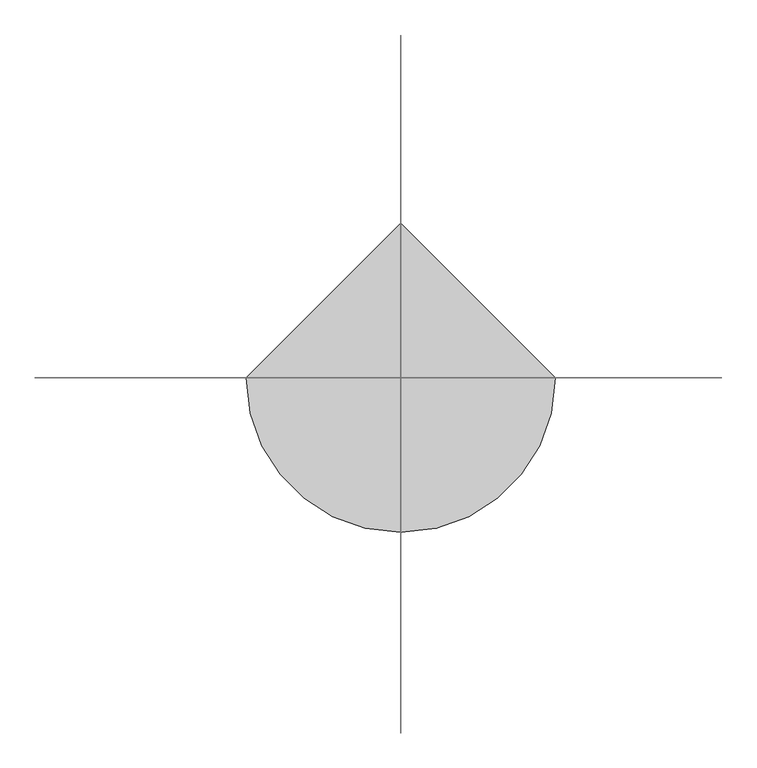
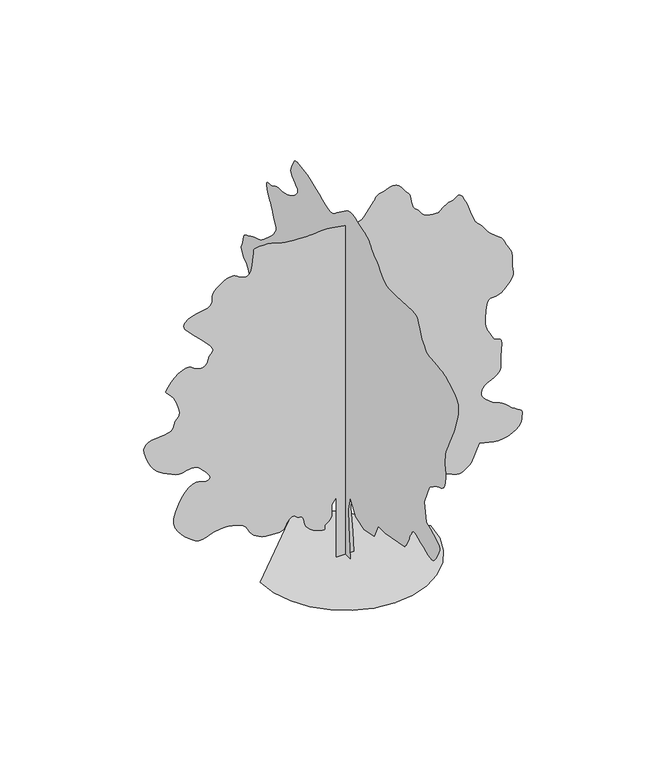
"""IFC4 building model written with IfcOpenShell, lengths in millimetres: geographic element geometry."""

import ifcopenshell
import ifcopenshell.guid

model = None  # the IFC model being written
_history = None  # IfcOwnerHistory: only IFC2X3 demands one
_inside = {}  # id of a spatial element -> (the spatial element, [elements in it])
_under = {}  # id of a project, library or spatial element -> (it, [spatial elements below it])
_declared = {}  # id of a project -> (the project, [libraries it declares])
_typed = {}  # id of a type object -> (the type object, [elements of that type])
_made_of = {}  # id of a material, layer set ... -> (it, [elements and type objects made of it])


def new_model(schema):
    """Start an empty IFC model of exactly this schema.

    Asked for "IFC4X3", IfcOpenShell would pick the latest addendum, in which some entities
    have other attributes; the version numbers below select the first issue.
    IFC2X3 requires an IfcOwnerHistory on every rooted entity: one is made here for all.
    """
    global model, _history
    if schema == "IFC4X3":
        model = ifcopenshell.file(schema_version=(4, 3, 0, 0))
    else:
        model = ifcopenshell.file(schema=schema)
    _inside.clear()
    _under.clear()
    _declared.clear()
    _typed.clear()
    _made_of.clear()
    _history = None
    if model.schema == "IFC2X3":
        org = make("IfcOrganization", Name="unknown")
        user = make(
            "IfcPersonAndOrganization",
            ThePerson=make("IfcPerson", FamilyName="unknown"),
            TheOrganization=org,
        )
        app = make(
            "IfcApplication",
            ApplicationDeveloper=org,
            Version="unknown",
            ApplicationFullName="unknown",
            ApplicationIdentifier="unknown",
        )
        _history = make(
            "IfcOwnerHistory",
            OwningUser=user,
            OwningApplication=app,
            ChangeAction="ADDED",
            CreationDate=0,
        )
    return model


def make(cls, **values):
    """One entity of the class cls with the attributes given. An attribute that is None is left unset."""
    return model.create_entity(
        cls, **{name: value for name, value in values.items() if value is not None}
    )


def rooted(cls, **values):
    """An entity with a GlobalId (a new one), such as an element, a storey or a relation."""
    return make(cls, GlobalId=ifcopenshell.guid.new(), OwnerHistory=_history, **values)


def si_unit(unit_type, name, prefix=None):
    """IfcSIUnit, for example si_unit("LENGTHUNIT", "METRE", prefix="MILLI")."""
    return make("IfcSIUnit", UnitType=unit_type, Prefix=prefix, Name=name)


def assignment(units):
    """IfcUnitAssignment: the units of a project."""
    return None if units is None else make("IfcUnitAssignment", Units=units)


def point(xyz):
    """IfcCartesianPoint."""
    return None if xyz is None else make("IfcCartesianPoint", Coordinates=xyz)


def direction(xyz):
    """IfcDirection."""
    return None if xyz is None else make("IfcDirection", DirectionRatios=xyz)


def frame(location, z_axis=None, x_axis=None):
    """IfcAxis2Placement3D, a coordinate frame: its origin and axes. An axis left out is left unset."""
    return make(
        "IfcAxis2Placement3D",
        Location=point(location),
        Axis=direction(z_axis),
        RefDirection=direction(x_axis),
    )


def origin():
    """The frame at (0, 0, 0) with its axes left unset."""
    return frame((0.0, 0.0, 0.0))


def place(relative_to, where):
    """IfcLocalPlacement: puts the frame where relative to a parent placement (None: the world)."""
    return make(
        "IfcLocalPlacement", PlacementRelTo=relative_to, RelativePlacement=where
    )


def context(
    kind, dimensions, precision=None, world=None, true_north=None, identifier=None
):
    """IfcGeometricRepresentationContext, for example the 3D "Model" context."""
    return make(
        "IfcGeometricRepresentationContext",
        ContextIdentifier=identifier,
        ContextType=kind,
        CoordinateSpaceDimension=dimensions,
        Precision=precision,
        WorldCoordinateSystem=world,
        TrueNorth=true_north,
    )


def project(units=None, contexts=None):
    """IfcProject with its units and contexts."""
    return rooted(
        "IfcProject",
        Name="project",
        RepresentationContexts=contexts,
        UnitsInContext=assignment(units),
    )


def spatial(cls, under=None, at=None, **own):
    """A site, building, storey or space (cls), placed at a placement, below another one or the project."""
    s = rooted(cls, ObjectPlacement=at, **own)
    if under is not None:
        _under.setdefault(under.id(), (under, []))[1].append(s)
    return s


def point_list(points):
    """IfcCartesianPointList2D or 3D."""
    cls = (
        "IfcCartesianPointList2D" if len(points[0]) == 2 else "IfcCartesianPointList3D"
    )
    return make(cls, CoordList=points)


def triangles(points, corners, closed=None, point_numbers=None):
    """IfcTriangulatedFaceSet: each triangle names its three corners, points numbered from 1."""
    return make(
        "IfcTriangulatedFaceSet",
        Coordinates=point_list(points),
        Closed=closed,
        CoordIndex=corners,
        PnIndex=point_numbers,
    )


def shape(context_of_items, identifier, shape_type, items):
    """IfcShapeRepresentation: the items that make up one representation, for example the "Body"."""
    return make(
        "IfcShapeRepresentation",
        ContextOfItems=context_of_items,
        RepresentationIdentifier=identifier,
        RepresentationType=shape_type,
        Items=items,
    )


def source(mapping_origin, context_of_items, identifier, shape_type, items):
    """IfcRepresentationMap: a shape defined once, which mapped items show again and again."""
    return make(
        "IfcRepresentationMap",
        MappingOrigin=mapping_origin,
        MappedRepresentation=shape(context_of_items, identifier, shape_type, items),
    )


def transform(
    local_origin,
    x_axis=None,
    y_axis=None,
    z_axis=None,
    scale=None,
    scale2=None,
    scale3=None,
    uniform=True,
):
    """IfcCartesianTransformationOperator3D, or its non-uniform kind. x_axis, y_axis, z_axis: its Axis1, 2, 3."""
    if uniform:
        return make(
            "IfcCartesianTransformationOperator3D",
            Axis1=direction(x_axis),
            Axis2=direction(y_axis),
            LocalOrigin=point(local_origin),
            Scale=scale,
            Axis3=direction(z_axis),
        )
    return make(
        "IfcCartesianTransformationOperator3DnonUniform",
        Axis1=direction(x_axis),
        Axis2=direction(y_axis),
        LocalOrigin=point(local_origin),
        Scale=scale,
        Axis3=direction(z_axis),
        Scale2=scale2,
        Scale3=scale3,
    )


def mapped(mapping_source, mapping_target):
    """IfcMappedItem: shows the shape of a source again, moved by a transform."""
    return make(
        "IfcMappedItem", MappingSource=mapping_source, MappingTarget=mapping_target
    )


def made_of(thing, what):
    """Note that an element or type object is made of a material, layer set ...; save() writes the relation."""
    if what is not None:
        _made_of.setdefault(what.id(), (what, []))[1].append(thing)
    return thing


def element(
    cls,
    number,
    at=None,
    inside=None,
    cuts=None,
    type_object=None,
    material=None,
    context=None,
    identifier="Body",
    shape_type=None,
    held_by="IfcProductDefinitionShape",
    body=None,
    shapes=None,
    **own,
):
    """One element of the class cls, such as IfcWall. Its Tag is "e" and its number.

    at: its placement. inside: the storey or other place that contains it. cuts: it is an
    opening in that element (IfcRelVoidsElement). A single representation is given by context,
    identifier, shape_type and body (its items); several are given by shapes. held_by: the class
    of the entity that holds the representations. save() writes the other relations.
    """
    e = rooted(cls, Tag="e%d" % number, ObjectPlacement=at, **own)
    if body is not None:
        shapes = [shape(context, identifier, shape_type, body)]
    if shapes is not None:
        e.Representation = make(held_by, Representations=shapes)
    if inside is not None:
        _inside.setdefault(inside.id(), (inside, []))[1].append(e)
    if cuts is not None:
        rooted(
            "IfcRelVoidsElement", RelatingBuildingElement=cuts, RelatedOpeningElement=e
        )
    if type_object is not None:
        _typed.setdefault(type_object.id(), (type_object, []))[1].append(e)
    return made_of(e, material)


def aggregate(whole, parts):
    """IfcRelAggregates: a whole, such as a stair, and the parts it consists of."""
    return rooted("IfcRelAggregates", RelatingObject=whole, RelatedObjects=parts)


def save(model, path):
    """Write the relations noted so far, then the file.

    IfcRelAggregates (storeys below a building ...), IfcRelContainedInSpatialStructure (elements
    in a storey), IfcRelDefinesByType, IfcRelAssociatesMaterial and IfcRelDeclares: one each for
    every whole, place, type object, material and project.
    """
    for whole, parts in _under.values():
        aggregate(whole, parts)
    for where, things in _inside.values():
        rooted(
            "IfcRelContainedInSpatialStructure",
            RelatedElements=things,
            RelatingStructure=where,
        )
    for kind, things in _typed.values():
        rooted("IfcRelDefinesByType", RelatedObjects=things, RelatingType=kind)
    for what, things in _made_of.values():
        rooted("IfcRelAssociatesMaterial", RelatedObjects=things, RelatingMaterial=what)
    for by, libraries in _declared.values():
        rooted("IfcRelDeclares", RelatingContext=by, RelatedDefinitions=libraries)
    model.write(path)


def geographic_element_f85e1bd3(model_context):
    return source(origin(), model_context, "Body", "Tessellation", [
        triangles([(0.0289808, 514.0926029, 0.0), (0.0289808, -493.1891913, 0.0), (0.0289808, -330.7247984, 1917.08153), (0.0289808, -298.2310696, 2826.8812294), (0.0289808, -493.1891913, 3671.6988487), (0.0289808, -1013.0777704, 2826.8812294), (0.0289808, -1857.8909569, 2566.9392471), (0.0289808, -2832.6773872, 2794.3901894), (0.0289808, -3222.5928314, 3606.7121178), (0.0289808, -3904.9456581, 3606.7121178), (0.0289808, -5789.5320786, 3964.1362312), (0.0289808, -5858.8737762, 4047.7834511), (0.0289808, -5926.5359253, 4131.9977875), (0.0289808, -5990.7540985, 4217.3457756), (0.0289808, -6049.8481659, 4304.4119728), (0.0289808, -6102.1379974, 4393.7460548), (0.0289808, -6145.9016052, 4485.9357765), (0.0289808, -6179.460022, 4581.4860489), (0.0289808, -6212.0516373, 4679.9338188), (0.0289808, -6253.1700577, 4780.0620094), (0.0289808, -6301.3857193, 4881.6177292), (0.0289808, -6355.271965, 4984.3079727), (0.0289808, -6413.4416702, 5087.8376999), (0.0289808, -6474.4257385, 5191.9557632), (0.0289808, -6536.8800659, 5296.3261368), (0.0289808, -6566.6160416, 5330.0519852), (0.0289808, -6607.7338806, 5357.2677658), (0.0289808, -6671.5735886, 5371.3796951), (0.0289808, -6769.5176102, 5365.8777054), (0.0289808, -6912.9478088, 5334.2517288), (0.0289808, -7113.2036087, 5269.9079819), (0.0289808, -7381.6680359, 5166.3776733), (0.0289808, -7665.1257339, 5044.5356918), (0.0289808, -7906.4999542, 4935.798143), (0.0289808, -8111.501976, 4849.1938362), (0.0289808, -8285.8018021, 4793.8797707), (0.0289808, -8435.1118744, 4778.9277763), (0.0289808, -8565.0597565, 4813.4099739), (0.0289808, -8681.3997482, 4906.4400513), (0.0289808, -8798.7896759, 5052.9776184), (0.0289808, -8920.1276184, 5231.3516144), (0.0289808, -9033.5276733, 5425.6438248), (0.0289808, -9127.0196411, 5619.9360352), (0.0289808, -9188.6757614, 5798.3100311), (0.0289808, -9206.6095505, 5944.8900375), (0.0289808, -9168.8095322, 6043.6741241), (0.0289808, -9076.4517975, 6118.0556305), (0.0289808, -8943.1436554, 6200.922084), (0.0289808, -8775.7736389, 6290.9276367), (0.0289808, -8581.0616867, 6386.6037735), (0.0289808, -8365.9376083, 6486.5639511), (0.0289808, -8137.1637817, 6589.3379105), (0.0289808, -7901.5857193, 6693.5396896), (0.0289808, -7706.6220383, 7798.3077209), (0.0289808, -8193.9899643, 8935.5417938), (0.0289808, -8209.3617004, 8957.2555847), (0.0289808, -8233.2178024, 8983.7580368), (0.0289808, -8274.1676285, 9019.9616409), (0.0289808, -8340.6536865, 9070.6556396), (0.0289808, -8441.2440582, 9140.6275314), (0.0289808, -8584.5056625, 9234.7915512), (0.0289808, -8778.8815887, 9357.9776367), (0.0289808, -8989.7640656, 9469.5719879), (0.0289808, -9176.7480011, 9542.4838165), (0.0289808, -9339.8758347, 9601.7877548), (0.0289808, -9479.1475662, 9672.4735565), (0.0289808, -9594.5219193, 9779.5321381), (0.0289808, -9686.0395889, 9947.9520905), (0.0289808, -9753.6592987, 10202.7656067), (0.0289808, -9792.803421, 10453.0433533), (0.0289808, -9804.0597107, 10613.5254181), (0.0289808, -9795.4497711, 10717.72836), (0.0289808, -9774.869632, 10799.2082703), (0.0289808, -9750.3420593, 10891.4817078), (0.0289808, -9729.8037781, 11028.0652313), (0.0289808, -9721.1938385, 11242.5602783), (0.0289808, -9724.2180725, 11479.1876953), (0.0289808, -9737.4899368, 11675.4536224), (0.0289808, -9767.2259125, 11854.7101227), (0.0289808, -9819.6843384, 12040.1813599), (0.0289808, -9901.1642487, 12255.2217224), (0.0289808, -10017.881543, 12523.1402527), (0.0289808, -10176.0532837, 12867.2041351), (0.0289808, -10326.2452789, 13178.2142212), (0.0289808, -10426.3740509, 13365.8702087), (0.0289808, -10494.0780579, 13481.915451), (0.0289808, -10547.0399414, 13578.0537689), (0.0289808, -10602.8574646, 13706.0273529), (0.0289808, -10679.0876953, 13917.5818817), (0.0289808, -10793.4539703, 14264.3758301), (0.0289808, -10916.6813324, 14665.5594818), (0.0289808, -10999.5902252, 15011.0511841), (0.0289808, -11029.6197876, 15308.7899872), (0.0289808, -10994.2556671, 15566.7533112), (0.0289808, -10881.0660645, 15792.881369), (0.0289808, -10677.4912811, 15995.1120483), (0.0289808, -10371.0181274, 16181.4657898), (0.0289808, -10073.658371, 16334.6401611), (0.0289808, -9878.0633331, 16440.1011658), (0.0289808, -9742.6977585, 16509.695755), (0.0289808, -9626.0635986, 16555.4755188), (0.0289808, -9486.7075699, 16589.2862457), (0.0289808, -9283.1339493, 16623.0958099), (0.0289808, -8973.8458511, 16668.8755737), (0.0289808, -8642.0876129, 16704.9536041), (0.0289808, -8384.7957596, 16718.8981018), (0.0289808, -8180.9279709, 16736.2016968), (0.0289808, -8009.4837845, 16782.5279388), (0.0289808, -7849.3796036, 16883.4113159), (0.0289808, -7679.6161285, 17064.4735199), (0.0289808, -7479.1498764, 17351.2071808), (0.0289808, -7304.0937012, 17666.4600311), (0.0289808, -7200.6476898, 17919.8038696), (0.0289808, -7133.02798, 18116.8255646), (0.0289808, -7065.365831, 18263.2794159), (0.0289808, -6961.9198196, 18364.8360077), (0.0289808, -6786.8636444, 18427.1635986), (0.0289808, -6504.3715851, 18455.9757935), (0.0289808, -4944.7016693, 18358.4933716), (0.0289808, -4657.2119499, 18363.5337616), (0.0289808, -4423.1460045, 18362.8617096), (0.0289808, -4224.2758759, 18374.7051727), (0.0289808, -4042.4916229, 18417.2095551), (0.0289808, -3859.5647072, 18508.6435089), (0.0289808, -3657.3136803, 18667.1094177), (0.0289808, -3417.5483734, 18910.8770966), (0.0289808, -3186.5020111, 19157.0818359), (0.0289808, -3013.4242035, 19324.8297363), (0.0289808, -2884.6858406, 19435.2055573), (0.0289808, -2786.6368835, 19509.2091797), (0.0289808, -2705.6441528, 19567.8404846), (0.0289808, -2628.0576096, 19632.1435364), (0.0289808, -2540.2440742, 19723.1984436), (0.0289808, -2455.9332321, 19830.7197876), (0.0289808, -2386.9649128, 19930.8485596), (0.0289808, -2316.8670113, 20024.1707703), (0.0289808, -2229.1457668, 20111.1956909), (0.0289808, -2107.3204994, 20192.5907227), (0.0289808, -1934.9063141, 20268.8628113), (0.0289808, -1695.4266003, 20340.5584351), (0.0289808, -1426.580365, 20419.5605896), (0.0289808, -1175.9201563, 20507.0878052), (0.0289808, -941.740773, 20587.8107849), (0.0289808, -722.3453711, 20646.3606995), (0.0289808, -516.0203922, 20667.4012756), (0.0289808, -321.0614347, 20635.5660095), (0.0289808, -135.7666766, 20535.5209534), (0.0289808, 839.0213888, 19820.6808655), (0.0289808, 944.5505579, 19724.6285889), (0.0289808, 1046.6736122, 19637.0990479), (0.0289808, 1157.8853559, 19566.5824219), (0.0289808, 1290.7020309, 19521.6828369), (0.0289808, 1457.6184414, 19510.8904724), (0.0289808, 1671.1421814, 19542.7257385), (0.0289808, 1943.7809177, 19625.7183472), (0.0289808, 2253.1739513, 19748.9457092), (0.0289808, 2564.8390846, 19887.5465515), (0.0289808, 2873.0938156, 20029.000708), (0.0289808, 3172.2557877, 20160.7554565), (0.0289808, 3456.6419174, 20270.3766724), (0.0289808, 3720.5615639, 20345.304657), (0.0289808, 3958.3403641, 20373.0657532), (0.0289808, 4174.6108841, 20388.2276184), (0.0289808, 4375.517807, 20422.7092346), (0.0289808, 4557.7139534, 20460.0046326), (0.0289808, 4717.6919792, 20483.6938843), (0.0289808, 4852.133773, 20477.2686951), (0.0289808, 4957.5537918, 20424.2207703), (0.0289808, 5030.5917755, 20308.0487915), (0.0289808, 5095.8598846, 20162.0995605), (0.0289808, 5170.7878693, 20027.4891724), (0.0289808, 5241.1800842, 19899.68302), (0.0289808, 5292.8397217, 19774.1464966), (0.0289808, 5311.488002, 19646.3822021), (0.0289808, 5282.9699753, 19511.771814), (0.0289808, 5193.0899963, 19365.7795624), (0.0289808, 5055.5396713, 19232.0098206), (0.0289808, 4908.2876129, 19127.2197052), (0.0289808, 4773.5937996, 19036.6670929), (0.0289808, 4673.5499062, 18945.5273071), (0.0289808, 4630.3737625, 18839.0570618), (0.0289808, 4666.1579155, 18702.4735382), (0.0289808, 4803.1617622, 18520.9497345), (0.0289808, 4992.3301575, 18340.0979828), (0.0289808, 5170.7041534, 18208.1758026), (0.0289808, 5339.4176926, 18114.264093), (0.0289808, 5499.6061707, 18047.6937378), (0.0289808, 5652.4020767, 17997.545636), (0.0289808, 5798.9820831, 17953.1518341), (0.0289808, 5940.3961258, 17903.5920685), (0.0289808, 6081.6421555, 17865.4141663), (0.0289808, 6226.8780579, 17852.8137726), (0.0289808, 6376.0619751, 17851.5952423), (0.0289808, 6529.2357651, 17847.5210724), (0.0289808, 6686.4000092, 17826.3956177), (0.0289808, 6847.554126, 17773.9802124), (0.0289808, 7012.6556763, 17676.1617645), (0.0289808, 7183.3016556, 17589.2635803), (0.0289808, 7351.0501373, 17558.0992035), (0.0289808, 7501.1996933, 17550.79151), (0.0289808, 7618.9680862, 17535.545929), (0.0289808, 7689.5277328, 17480.5260315), (0.0289808, 7698.1376724, 17353.8535309), (0.0289808, 7630.0557816, 17123.7780396), (0.0289808, 7529.4241333, 16881.6474701), (0.0289808, 7445.8856277, 16718.5202179), (0.0289808, 7372.5540573, 16601.9691925), (0.0289808, 7302.6658813, 16499.6579956), (0.0289808, 7229.3337296, 16379.1595367), (0.0289808, 7145.7539474, 16208.0932343), (0.0289808, 7045.1635757, 15954.0354858), (0.0289808, 6938.8619247, 15704.1356232), (0.0289808, 6847.386113, 15546.2999084), (0.0289808, 6777.4560791, 15449.280249), (0.0289808, 6735.9597748, 15381.8273895), (0.0289808, 6729.7020172, 15312.6955627), (0.0289808, 6765.5277374, 15210.5517975), (0.0289808, 6850.1998947, 15044.2317169), (0.0289808, 7000.9377869, 14823.7742432), (0.0289808, 7212.4498764, 14589.707135), (0.0289808, 7458.1081375, 14356.1876678), (0.0289808, 7711.11595, 14137.452182), (0.0289808, 7944.8458694, 13947.6951599), (0.0289808, 8132.501857, 13801.1575928), (0.0289808, 8247.4140289, 13711.9921051), (0.0289808, 8349.4316391, 13656.2152771), (0.0289808, 8502.6060104, 13599.8512756), (0.0289808, 8686.4819962, 13542.3536224), (0.0289808, 8880.6056122, 13483.1339813), (0.0289808, 9064.4815979, 13421.645874), (0.0289808, 9217.6559692, 13357.343985), (0.0289808, 9319.6735794, 13289.5981201), (0.0289808, 9405.1020859, 13233.3178345), (0.0289808, 9513.882074, 13193.5435181), (0.0289808, 9633.4137314, 13154.9040161), (0.0289808, 9751.2658401, 13102.0258484), (0.0289808, 9854.9217224, 13019.6215759), (0.0289808, 9931.8240051, 12892.278186), (0.0289808, 9969.5403076, 12704.7059143), (0.0289808, 10000.4093536, 12516.2941589), (0.0289808, 10053.4561157, 12383.0278748), (0.0289808, 10111.0374847, 12284.4118011), (0.0289808, 10155.599881, 12199.9913727), (0.0289808, 10169.4176422, 12109.3562073), (0.0289808, 10134.936026, 11991.9656982), (0.0289808, 10034.5142487, 11827.4094635), (0.0289808, 9909.8579041, 11673.2700348), (0.0289808, 9809.0582428, 11581.122171), (0.0289808, 9724.1756332, 11521.3560516), (0.0289808, 9647.232074, 11464.403714), (0.0289808, 9570.3297913, 11380.7402161), (0.0289808, 9485.4477631, 11240.8382904), (0.0289808, 9384.6481018, 11015.0881165), (0.0289808, 9274.7757385, 10788.9600586), (0.0289808, 9173.9760773, 10646.4117828), (0.0289808, 9091.3619339, 10555.5661652), (0.0289808, 9036.0478683, 10484.585614), (0.0289808, 9017.1060013, 10401.7197418), (0.0289808, 9043.607872, 10275.0472412), (0.0289808, 9124.7098984, 10072.8177246), (0.0289808, 9232.4399506, 9851.6033203), (0.0289808, 9333.8698059, 9679.8655472), (0.0289808, 9430.8057495, 9543.3657394), (0.0289808, 9524.8436142, 9427.8658127), (0.0289808, 9617.7896851, 9319.2119797), (0.0289808, 9711.2816528, 9203.1655746), (0.0289808, 9807.0420868, 9065.5315338), (0.0289808, 9918.1736755, 8929.7880753), (0.0289808, 10047.4913635, 8819.0337891), (0.0289808, 10181.3459839, 8718.5277145), (0.0289808, 10306.1279022, 8613.4440125), (0.0289808, 10408.1460937, 8489.0818359), (0.0289808, 10473.7920868, 8330.5740692), (0.0289808, 10489.4155518, 8123.2198654), (0.0289808, 10502.561261, 7960.3856186), (0.0289808, 10550.9873749, 7906.6679672), (0.0289808, 10606.2177246, 7904.1059143), (0.0289808, 10639.8598572, 7894.7396255), (0.0289808, 10623.4376038, 7820.5679901), (0.0289808, 10528.6433899, 7623.630011), (0.0289808, 10326.9603516, 7245.923996), (0.0289808, 10116.0778748, 6822.2696228), (0.0289808, 9988.7763428, 6510.629924), (0.0289808, 9909.1858521, 6287.609816), (0.0289808, 9841.5655609, 6129.9839722), (0.0289808, 9750.0478912, 6014.3997482), (0.0289808, 9598.847818, 5917.5899597), (0.0289808, 9352.1820602, 5816.2438202), (0.0289808, 9067.3796768, 5734.0081421), (0.0289808, 8816.7240463, 5699.5259445), (0.0289808, 8586.5218185, 5696.8801758), (0.0289808, 8363.1656845, 5710.1520401), (0.0289808, 8132.9640381, 5723.3820465), (0.0289808, 7882.3078262, 5720.7356964), (0.0289808, 7597.5478821, 5686.2540802), (0.0289808, 7313.5437057, 5655.3838715), (0.0289808, 7068.1796127, 5662.0200943), (0.0289808, 6852.3840637, 5687.9760681), (0.0289808, 6657.0419174, 5715.0656937), (0.0289808, 6473.0816345, 5725.1040344), (0.0289808, 6291.3898178, 5699.9038284), (0.0289808, 6102.8519073, 5621.2801392), (0.0289808, 5922.4198975, 5537.6997757), (0.0289808, 5773.1941223, 5493.9361679), (0.0289808, 5658.6598343, 5466.0896118), (0.0289808, 5582.2197327, 5430.3057495), (0.0289808, 5547.2759354, 5362.6441818), (0.0289808, 5557.2299789, 5239.3319412), (0.0289808, 5615.4839813, 5036.3879333), (0.0289808, 5709.4381302, 4820.8019646), (0.0289808, 5822.1661331, 4668.2577873), (0.0289808, 5950.5600403, 4568.340049), (0.0289808, 6091.4276047, 4510.4639305), (0.0289808, 6241.6620392, 4484.1297821), (0.0289808, 6398.1536499, 4478.7958054), (0.0289808, 6557.7537918, 4484.0039177), (0.0289808, 7175.1538971, 3801.67202), (0.0289808, 7223.5375717, 3724.8412445), (0.0289808, 7269.948111, 3646.5954391), (0.0289808, 7312.410054, 3565.505912), (0.0289808, 7348.8659683, 3480.1492035), (0.0289808, 7377.3839951, 3389.1143532), (0.0289808, 7395.9479782, 3290.9729599), (0.0289808, 7402.5836197, 3184.3056335), (0.0289808, 7401.449968, 3073.0894569), (0.0289808, 7393.5120804, 2963.0118736), (0.0289808, 7371.8820053, 2855.2103142), (0.0289808, 7329.8398041, 2750.8152328), (0.0289808, 7260.4981064, 2650.9684204), (0.0289808, 7157.052095, 2556.8046913), (0.0289808, 7012.6556763, 2469.4614761), (0.0289808, 6874.9379196, 2395.2851898), (0.0289808, 6778.1281311, 2337.5939438), (0.0289808, 6695.5139877, 2292.9773357), (0.0289808, 6600.3837479, 2258.0207485), (0.0289808, 6466.0681091, 2229.3179947), (0.0289808, 6265.8117279, 2203.4543118), (0.0289808, 5972.9040253, 2177.0238029), (0.0289808, 5639.7179672, 2180.8120892), (0.0289808, 5332.6977539, 2239.1669575), (0.0289808, 5046.132106, 2339.0176941), (0.0289808, 4774.3498581, 2467.2816673), (0.0289808, 4511.6818794, 2610.8964478), (0.0289808, 4252.3738701, 2756.7834732), (0.0289808, 3990.8314041, 2891.8679604), (0.0289808, 3757.6014542, 3014.7348793), (0.0289808, 3577.2322311, 3130.780703), (0.0289808, 3434.9446953, 3237.1666512), (0.0289808, 3315.9630043, 3331.0452232), (0.0289808, 3205.5072464, 3409.576767), (0.0289808, 3088.7975098, 3469.9222115), (0.0289808, 2951.0585335, 3509.2343468), (0.0289808, 2799.5814423, 3542.3890091), (0.0289808, 2650.3806656, 3583.5030693), (0.0289808, 2501.7467148, 3628.5982819), (0.0289808, 2351.9789669, 3673.6894249), (0.0289808, 2199.3635731, 3714.8031944), (0.0289808, 2042.2036892, 3747.9581474), (0.0289808, 1878.7943321, 3769.1766197), (0.0289808, 1711.6889797, 3780.2602455), (0.0289808, 1544.5794125, 3786.2284859), (0.0289808, 1377.4739147, 3787.9336143), (0.0289808, 1210.3685623, 3786.2284859), (0.0289808, 1043.2632099, 3781.9656647), (0.0289808, 876.15357, 3775.9974243), (0.0289808, 709.0482176, 3769.1766197), (0.0289808, 384.1202311, 3281.7834045), (0.0289808, 319.1336454, 2534.4479164), (471.1475862, 0.0010093, 0.0154765), (-503.6388079, 0.0010093, 0.0154765), (-503.6388079, 0.0007991, 3574.233577), (-763.5851503, 0.0007991, 3216.813533), (-763.5851503, 0.0008411, 2826.8980888), (-757.6169827, 0.0008411, 2736.4300644), (-757.6169827, 0.0008411, 2646.2434181), (-769.5533907, 0.0008411, 2556.6282486), (-799.3901596, 0.0008832, 2467.8653526), (-853.1039595, 0.0008832, 2380.2407593), (-936.6588158, 0.0008832, 2294.0314865), (-1056.0186087, 0.0008832, 2209.5317024), (-1149.5190062, 0.0008832, 2121.8106033), (-1175.3825438, 0.0008832, 2032.9512016), (-1169.4143761, 0.0008832, 1953.7601051), (-1167.4235819, 0.0008832, 1895.023138), (-1205.2236002, 0.0008832, 1867.5509777), (-1318.6151527, 0.0008832, 1882.1418022), (-1543.4117512, 0.0008832, 1949.5895748), (-1799.8511856, 0.0008832, 2054.6484238), (-1991.4929764, 0.0008832, 2173.3445217), (-2129.1353016, 0.0008832, 2303.414344), (-2223.5849144, 0.0008832, 2442.5730011), (-2285.635778, 0.0008411, 2588.5524628), (-2326.0859253, 0.0008411, 2739.080484), (-2355.7378944, 0.0008411, 2891.8848198), (-2363.3147575, 0.0008411, 2933.4689095), (-2374.587616, 0.0008411, 2973.9190567), (-2393.2481049, 0.0008411, 3012.1013191), (-2422.9967251, 0.0008411, 3046.8646042), (-2467.5168274, 0.0008411, 3077.0836899), (-2530.516761, 0.0008411, 3101.6202736), (-2615.6801674, 0.0008411, 3119.335762), (-2700.8435738, 0.0008411, 3148.5089813), (-2767.8168114, 0.0008411, 3197.5818581), (-2826.2681854, 0.0007991, 3250.6318176), (-2885.8535019, 0.0007991, 3291.7458778), (-2956.2413567, 0.0007991, 3305.0093124), (-3047.087265, 0.0007991, 3274.5047791), (-3168.0598228, 0.0008411, 3184.3181328), (-3274.4417015, 0.0008411, 3058.1374626), (-3334.7874367, 0.0008411, 2934.796154), (-3378.6478409, 0.0008411, 2821.1190811), (-3435.5789589, 0.0008411, 2723.9226883), (-3535.1441025, 0.0008411, 2650.0362099), (-3706.890596, 0.0008411, 2606.2679512), (-3980.3820419, 0.0008411, 2599.4471466), (-4282.5720268, 0.0008411, 2619.5316765), (-4527.9358292, 0.0008411, 2652.6863388), (-4727.2259903, 0.0008411, 2700.0540871), (-4891.3200439, 0.0008411, 2762.7642128), (-5030.9696594, 0.0008411, 2841.9593788), (-5156.9276688, 0.0008411, 2938.777597), (-5280.1137543, 0.0008411, 3054.3490311), (-5384.5678436, 0.0008411, 3181.0968178), (-5459.5376862, 0.0007991, 3308.4198601), (-5523.0838074, 0.0007991, 3432.8951111), (-5593.4760223, 0.0007991, 3551.1210342), (-5688.857991, 0.0007991, 3659.682431), (-5827.4576706, 0.0007991, 3755.1736954), (-6027.4198837, 0.0007991, 3834.1799194), (-6228.4738907, 0.0007991, 3894.2358467), (-6374.3399872, 0.000757, 3936.6768608), (-6489.5457458, 0.000757, 3963.7708466), (-6598.4937469, 0.000757, 3977.7906303), (-6725.5859894, 0.000757, 3981.0119453), (-6895.3500458, 0.000757, 3975.7073273), (-7132.187915, 0.000757, 3964.1490211), (-7392.5877182, 0.000757, 3923.1317574), (-7624.0497528, 0.0007991, 3846.8724586), (-7837.2838303, 0.0007991, 3763.7920647), (-8043.1259171, 0.0007991, 3702.3123871), (-8252.4119797, 0.0007991, 3690.8505867), (-8475.8518295, 0.0007991, 3757.8238243), (-8724.3238724, 0.000757, 3931.6576904), (-8984.3039337, 0.000757, 4164.127803), (-9224.33405, 0.000757, 4394.8799973), (-9428.5797226, 0.0007149, 4634.1959129), (-9581.0820419, 0.0007149, 4892.2438248), (-9665.9640701, 0.0007149, 5179.2716537), (-9667.3075928, 0.0006729, 5505.5279022), (-9569.1537003, 0.0006729, 5881.2177612), (-9404.8916336, 0.0006308, 6260.1417252), (-9221.8557129, 0.0006308, 6585.0957275), (-9025.2119019, 0.0005888, 6849.7801529), (-8820.0418671, 0.0005888, 7047.9360809), (-8611.4278564, 0.0005888, 7173.347612), (-8404.5358337, 0.0005888, 7219.8000092), (-8204.4480469, 0.0005888, 7180.9500549), (-8015.7421234, 0.0005888, 7115.5976486), (-7848.6656937, 0.0005888, 7087.709816), (-7716.7859528, 0.0005888, 7099.0916794), (-7633.7939255, 0.0005888, 7151.3820923), (-7613.3399414, 0.0005888, 7246.3018799), (-7669.0318909, 0.0005888, 7385.5736115), (-7814.5201035, 0.0005467, 7570.8779984), (-7984.1998627, 0.0005467, 7756.7277008), (-8113.5175507, 0.0005467, 7899.9480286), (-8217.803627, 0.0005467, 8005.6619247), (-8312.4298279, 0.0005467, 8078.9940765), (-8412.7678894, 0.0005467, 8125.0255692), (-8534.1058319, 0.0005047, 8148.9241104), (-8691.8578308, 0.0005047, 8155.7277649), (-8853.6415604, 0.0005467, 8140.4816025), (-8987.6217545, 0.0005467, 8105.3279343), (-9109.631749, 0.0005467, 8066.2256699), (-9235.6316162, 0.0005467, 8039.0098892), (-9381.4977127, 0.0005467, 8039.6819412), (-9563.1895294, 0.0005467, 8084.117601), (-9796.6252808, 0.0005047, 8188.2356644), (-10044.3415558, 0.0005047, 8312.8077118), (-10262.4898682, 0.0005047, 8420.87379), (-10457.3698334, 0.0005047, 8531.8379471), (-10635.1554932, 0.0005047, 8664.9356369), (-10802.1894836, 0.0005047, 8839.4877731), (-10964.6458466, 0.0004626, 9074.8978226), (-11128.8241974, 0.0004626, 9390.4855362), (-11264.5682373, 0.0004206, 9717.9597336), (-11339.4962219, 0.0004206, 9981.2163391), (-11356.4637909, 0.0004206, 10187.6455994), (-11318.2858887, 0.0003785, 10344.5999725), (-11227.8181549, 0.0003785, 10459.5115631), (-11087.9162292, 0.0003785, 10539.7322479), (-10901.3520355, 0.0003785, 10592.6941315), (-10681.1038513, 0.0003785, 10623.1015778), (-10448.3820099, 0.0003785, 10641.0353668), (-10218.4320923, 0.0003785, 10661.7422424), (-10006.7101318, 0.0003785, 10700.6759125), (-9828.5454254, 0.0003785, 10773.1679993), (-9699.2277374, 0.0003785, 10894.5059418), (-9634.1276413, 0.0003364, 11080.1039154), (-9586.0375534, 0.0003364, 11259.317395), (-9511.7397629, 0.0003364, 11376.0358521), (-9432.9480606, 0.0003364, 11467.1756378), (-9371.1657852, 0.0003364, 11569.6554291), (-9348.0660324, 0.0002944, 11720.4776184), (-9385.1939987, 0.0002944, 11956.5597198), (-9504.1797592, 0.0002944, 12314.8192474), (-9672.6840088, 0.0002523, 12667.7035217), (-9833.8381256, 0.0002523, 12889.8422882), (-9972.2273529, 0.0002523, 13021.6377319), (-10072.5654144, 0.0002103, 13103.3699524), (-10119.4381348, 0.0002103, 13175.4422974), (-10097.5557495, 0.0002103, 13278.2581146), (-9991.5482666, 0.0002103, 13452.0951782), (-9820.6912537, 0.0002103, 13669.026123), (-9623.0818039, 0.0001682, 13866.6361542), (-9411.8220245, 0.0001682, 14033.5434082), (-9199.973909, 0.0001682, 14158.4102051), (-9000.6837479, 0.0001682, 14229.8093353), (-8826.9298187, 0.0001682, 14236.4461395), (-8691.8578308, 0.0001682, 14166.9352661), (-8559.4316116, 0.0001682, 14063.2799652), (-8396.3037781, 0.0001682, 13982.3872284), (-8219.5256149, 0.0001682, 13935.0122131), (-8046.1495697, 0.0001682, 13931.9879791), (-7893.2699478, 0.0001682, 13984.1092163), (-7777.8955948, 0.0001682, 14102.1299194), (-7717.0801208, 0.0001682, 14296.8831482), (-7661.3457321, 0.0001682, 14482.5660004), (-7573.8179352, 0.0001262, 14592.6476532), (-7490.280011, 0.0001262, 14666.9035858), (-7446.5158218, 0.0001262, 14745.1499725), (-7478.3516693, 0.0001262, 14867.159967), (-7621.5719971, 0.0001262, 15072.7497437), (-7912.0438019, 8.41e-05, 15401.6517609), (-8276.2680817, 8.41e-05, 15773.1837341), (-8601.8516968, 4.21e-05, 16086.1681183), (-8866.073941, 4.21e-05, 16349.7171478), (-9046.128067, 4.21e-05, 16572.9058502), (-9119.3759216, 0.0, 16764.8452972), (-9063.0119202, 0.0, 16934.6093536), (-8854.3136124, 0.0, 17091.2695587), (-8575.9800201, 0.0, 17211.9773071), (-8326.6679123, 0.0, 17280.9417023), (-8107.469664, 0.0, 17318.0696686), (-7919.5200897, -4.21e-05, 17343.2692932), (-7763.9516785, -4.21e-05, 17376.4079681), (-7641.941684, -4.21e-05, 17437.433313), (-7554.5819, -4.21e-05, 17546.1720245), (-7511.0275818, -4.21e-05, 17674.8176605), (-7504.3919403, -4.21e-05, 17787.5456635), (-7511.951944, -4.21e-05, 17892.3357788), (-7511.0275818, -4.21e-05, 17997.1258942), (-7478.8138504, -8.41e-05, 18109.8538971), (-7392.5877182, -8.41e-05, 18238.4995331), (-7229.6697556, -8.41e-05, 18391.0018524), (-7030.2540207, -8.41e-05, 18541.9077576), (-6847.890152, -8.41e-05, 18659.2971039), (-6679.7637863, -0.0001262, 18741.4072083), (-6522.9780075, -0.0001262, 18786.5997986), (-6374.7178711, -0.0001262, 18793.1517242), (-6232.1277374, -0.0001262, 18759.2991394), (-6092.4356827, -8.41e-05, 18683.4479553), (-5948.4177292, -8.41e-05, 18590.7117554), (-5799.905864, -8.41e-05, 18518.4301208), (-5654.2077805, -8.41e-05, 18483.0660004), (-5518.7160507, -8.41e-05, 18501.1672211), (-5400.863942, -8.41e-05, 18589.1571991), (-5308.0440262, -0.0001262, 18763.5837616), (-5247.6058548, -0.0001262, 19040.8679993), (-5211.5278244, -0.0001262, 19338.6056396), (-5185.6561478, -0.0001682, 19568.6822937), (-5168.3101135, -0.0001682, 19739.1184021), (-5157.810173, -0.0001682, 19857.8088318), (-5152.3918991, -0.0001682, 19932.7368164), (-5150.4181824, -0.0001682, 19971.8809387), (-5150.1240143, -0.0001682, 19983.1383911), (-5107.409761, -0.0001682, 19989.7728699), (-4991.3639374, -0.0001682, 20004.3905823), (-4820.1717705, -0.0001682, 20018.9641113), (-4612.0617989, -0.0001682, 20025.5985901), (-4385.1779732, -0.0001682, 20016.3177612), (-4157.7186012, -0.0001682, 19983.1383911), (-3947.8907112, -0.0001682, 19918.1632874), (-3755.4887924, -0.0001682, 19845.8816528), (-3562.5197571, -0.0001682, 19793.5081055), (-3360.4576721, -0.0001682, 19757.0103333), (-3140.7725349, -0.0001682, 19732.4815979), (-2894.9465515, -0.0001682, 19715.9337708), (-2614.445359, -0.0001682, 19703.3345398), (-2290.747094, -0.0001682, 19690.7329834), (-1978.3259022, -0.0001682, 19688.9284424), (-1721.0339035, -0.0001682, 19704.1740234), (-1494.4355255, -0.0001682, 19725.6773621), (-1274.0909809, -0.0001682, 19742.6460938), (-1035.5604097, -0.0001682, 19744.2413452), (-754.395595, -0.0001682, 19719.7126099), (-406.1622359, -0.0001682, 19658.2256653), (-54.1392599, -0.0001682, 19585.1045471), (229.6769873, -0.0001682, 19534.7029724), (456.6533764, -0.0001682, 19509.8812317), (638.1606113, -0.0001682, 19513.4507813), (785.5637506, -0.0001682, 19548.353302), (910.2281616, -0.0001682, 19617.3165344), (1023.5273506, -0.0001682, 19723.1984436), (1510.9205658, -0.0002103, 20340.5584351), (1584.0552006, -0.0002103, 20435.771228), (1642.4099236, -0.0002103, 20525.3145996), (1695.0779297, -0.0002103, 20607.4258667), (1751.160553, -0.0002103, 20680.463269), (1819.7466282, -0.0002103, 20742.7083069), (1909.9331291, -0.0002103, 20792.4355042), (2030.8091812, -0.0002103, 20827.968219), (2178.9683064, -0.0002523, 20868.7075928), (2340.769186, -0.0002523, 20923.0972961), (2509.9578415, -0.0002523, 20972.9105347), (2680.2887238, -0.0002523, 20999.9995789), (2845.4998604, -0.0002523, 20986.1818176), (2999.3416328, -0.0002523, 20913.2281311), (3135.5687828, -0.0002103, 20762.9931152), (3256.5372711, -0.0002103, 20591.6338074), (3367.2784767, -0.0002103, 20458.3256653), (3465.5166664, -0.0002103, 20349.4625427), (3548.9746536, -0.0002103, 20251.4336426), (3615.3810654, -0.0002103, 20150.5491028), (3662.4627846, -0.0001682, 20033.1585938), (3687.9443687, -0.0001682, 19885.6559692), (3705.6598572, -0.0001682, 19732.7746033), (3730.1964409, -0.0001682, 19605.4730713), (3760.4152359, -0.0001682, 19499.4655884), (3795.1788116, -0.0001262, 19410.5093903), (3833.3567139, -0.0001262, 19334.3221802), (3873.8068611, -0.0001262, 19266.701889), (3915.395311, -0.0001262, 19203.3231995), (3957.454081, -0.0001262, 19174.8051727), (4001.2223396, -0.0001262, 19142.2978546), (4048.3967857, -0.0001262, 19101.8514862), (4100.6909775, -0.0001262, 19049.4779388), (4159.8016136, -0.0001262, 18981.1855957), (4227.4259743, -0.0001262, 18892.9851654), (4305.2938957, -0.0001262, 18780.9292145), (4420.709816, -8.41e-05, 18674.4171112), (4583.8379402, -8.41e-05, 18601.5052826), (4770.8218758, -8.41e-05, 18555.8092346), (4957.806102, -8.41e-05, 18531.1979462), (5120.9339355, -8.41e-05, 18521.3276184), (5236.3501465, -8.41e-05, 18520.0253723), (5280.1137543, -8.41e-05, 18520.9915924), (5302.5420364, -8.41e-05, 18544.3855133), (5364.2400146, -8.41e-05, 18604.698111), (5456.5977493, -8.41e-05, 18687.2279572), (5571.1320374, -0.0001262, 18777.1073547), (5699.2736343, -0.0001262, 18859.6372009), (5832.5817764, -0.0001262, 18919.9916565), (5962.4459427, -0.0001262, 18943.3855774), (6078.8696503, -0.0001262, 18971.9036041), (6181.6436096, -0.0001262, 19036.2054932), (6277.0680176, -0.0001262, 19104.4978363), (6371.3157532, -0.0001262, 19144.9860626), (6470.6875946, -0.0001262, 19125.7500275), (6581.4418808, -0.0001262, 19014.9951599), (6709.7939301, -0.0001262, 18780.9292145), (6830.6696915, -8.41e-05, 18505.913443), (6920.8438385, -8.41e-05, 18283.7758392), (6989.4297684, -8.41e-05, 18099.6894012), (7045.4996017, -4.21e-05, 17938.956189), (7098.1678986, -4.21e-05, 17786.7061798), (7156.548056, -4.21e-05, 17628.2391083), (7229.6697556, -4.21e-05, 17448.6896027), (7304.8076111, 0.0, 17291.148056), (7369.1100815, 0.0, 17191.0192841), (7431.7318405, 0.0, 17122.1816254), (7501.7455902, 0.0, 17058.4262146), (7588.2240326, 0.0, 16973.6279022), (7700.2799835, 0.0, 16841.6638641), (7847.0280029, 0.0, 16636.3670929), (8027.6698837, 4.21e-05, 16407.8880157), (8225.9519669, 4.21e-05, 16216.9136261), (8427.6355865, 4.21e-05, 16053.1980377), (8618.525679, 8.41e-05, 15906.575592), (8784.3835785, 8.41e-05, 15766.7573822), (8911.0560791, 8.41e-05, 15623.4951965), (8984.3039337, 8.41e-05, 15466.6257019), (9041.8015869, 8.41e-05, 15312.7792786), (9122.0216904, 0.0001262, 15174.851651), (9211.9435272, 0.0001262, 15036.9240234), (9298.4219696, 0.0001262, 14883.0776001), (9368.4357193, 0.0001262, 14697.4377686), (9408.8820877, 0.0001682, 14464.0020172), (9406.6979187, 0.0001682, 14166.9352661), (9402.2458649, 0.0001682, 13881.4201355), (9426.7740189, 0.0002103, 13673.1840088), (9453.5700577, 0.0002103, 13512.1554657), (9455.9640976, 0.0002103, 13368.1375122), (9407.1600998, 0.0002103, 13211.0994232), (9280.5300385, 0.0002523, 13010.8011841), (9049.2778748, 0.0002523, 12737.2132324), (8774.8498581, 0.0002523, 12507.515625), (8536.7940399, 0.0002523, 12415.3259033), (8335.6557358, 0.0002523, 12395.3341003), (8172.0657211, 0.0002523, 12382.1872284), (8046.528035, 0.0002944, 12310.4520721), (7959.6717087, 0.0002944, 12114.858197), (7912.001944, 0.0002944, 11729.9700623), (7894.1937286, 0.0003364, 11304.0472229), (7896.8819366, 0.0003364, 11004.2934265), (7920.5275864, 0.0003785, 10793.8318542), (7965.8457504, 0.0003785, 10635.6182556), (8033.2980286, 0.0003785, 10492.7758118), (8123.4715942, 0.0003785, 10328.3032928), (8236.9559464, 0.0004206, 10105.3262054), (8366.4416473, 0.0004206, 9911.4112976), (8497.1040207, 0.0004206, 9823.21203), (8618.0640793, 0.0004206, 9787.3014313), (8718.5695724, 0.0004206, 9750.2577621), (8787.8275543, 0.0004206, 9658.6557953), (8815.0020584, 0.0004626, 9459.0296082), (8789.3396713, 0.0004626, 9098.0400146), (8754.4795898, 0.0005047, 8700.0480286), (8749.1456131, 0.0005047, 8408.9460297), (8755.235939, 0.0005047, 8200.2477219), (8754.4795898, 0.0005467, 8049.5516876), (8728.691629, 0.0005467, 7932.3716309), (8659.7278152, 0.0005467, 7824.2636948), (8529.4020493, 0.0005467, 7700.8258804), (8371.9436371, 0.0005467, 7585.0736435), (8232.6719055, 0.0005467, 7506.8278381), (8109.9055618, 0.0005467, 7451.8916565), (8001.9237808, 0.0005888, 7406.0275955), (7907.0039932, 0.0005888, 7355.081868), (7823.466069, 0.0005888, 7284.7739502), (7749.5455811, 0.0005888, 7180.9500549), (7690.8299789, 0.0005888, 7060.7457642), (7657.6500275, 0.0005888, 6947.3457092), (7655.7600266, 0.0005888, 6835.6676422), (7690.8299789, 0.0006308, 6720.5455994), (7768.4880295, 0.0006308, 6596.939772), (7894.4878967, 0.0006308, 6459.6417572), (8074.4995834, 0.0006308, 6303.6536041), (8265.2641022, 0.0006308, 6166.9439255), (8427.0896896, 0.0006308, 6077.3999725), (8570.6879013, 0.0006729, 6014.6096191), (8706.9359802, 0.0006729, 5958.0776047), (8846.5437378, 0.0006729, 5887.3080872), (9000.3895798, 0.0006729, 5781.8459198), (9179.2257568, 0.0006729, 5621.2801392), (9369.1077713, 0.0006729, 5455.4216583), (9544.1639465, 0.0006729, 5336.7300659), (9697.6319046, 0.0007149, 5248.6976486), (9822.6655518, 0.0007149, 5174.9038971), (9912.4612335, 0.0007149, 5098.8416794), (9960.2152954, 0.0007149, 5004.006189), (9959.0816437, 0.0007149, 4873.9318611), (9940.4339447, 0.0007149, 4726.2597702), (9929.1357971, 0.000757, 4587.6598), (9908.7661102, 0.000757, 4455.317878), (9862.8177521, 0.000757, 4326.4199318), (9774.827774, 0.000757, 4198.0425934), (9628.2896255, 0.000757, 4067.4057999), (9406.6979187, 0.000757, 3931.6576904), (9142.0977905, 0.0007991, 3821.7690491), (8877.5401016, 0.0007991, 3764.7414253), (8612.9399734, 0.0007991, 3751.7634384), (8348.3398453, 0.0007991, 3774.0234169), (8083.781575, 0.0007991, 3822.7140495), (7819.1820282, 0.0007991, 3889.0277344), (7554.5819, 0.000757, 3964.1490211), (7099.6800156, 0.0008411, 2956.8712601), (6988.2118195, 0.0008411, 2860.2419838), (6876.1140106, 0.0008411, 2768.7324532), (6762.9238266, 0.0008411, 2687.4539841), (6648.0116547, 0.0008411, 2621.5181831), (6530.8315979, 0.0008411, 2576.0488655), (6410.7959015, 0.0008411, 2556.1576378), (6287.3580872, 0.0008411, 2566.9558159), (6186.7677155, 0.0008411, 2591.4880394), (6123.0960205, 0.0008411, 2612.0472496), (6077.6517014, 0.0008411, 2632.6061691), (6031.6196274, 0.0008411, 2657.1383926), (5966.2259445, 0.0008411, 2689.6337929), (5862.7799332, 0.0008411, 2734.0613136), (5702.5077393, 0.0008411, 2794.4070488), (5493.7257156, 0.0008411, 2882.0316422), (5265.623941, 0.0008411, 2998.0774658), (5030.6760727, 0.0008411, 3131.1754463), (4801.4397743, 0.0007991, 3269.9562195), (4590.348008, 0.0007991, 3403.0542), (4410.0000046, 0.0007991, 3519.1000237), (4272.8278542, 0.0007991, 3606.7289772), (4156.6768044, 0.0007991, 3683.9332764), (4032.0126114, 0.0007991, 3774.7791847), (3900.2375153, 0.0007991, 3876.9988174), (3762.7839867, 0.000757, 3988.3074303), (3621.0635674, 0.000757, 4106.436557), (3476.5037865, 0.000757, 4229.1058136), (3330.5243248, 0.000757, 4354.0560356), (3298.0289246, 0.0007149, 4841.4658195), (2648.1712074, 0.0007149, 4906.4400513), (1478.4251656, 0.0007149, 4808.9579201), (698.5985647, 0.000757, 4386.5639351), (373.6681074, 0.0007991, 3606.7289772), (308.6827572, 0.0008411, 2696.9249176), (406.1605645, 0.0009252, 1202.2541594), (-4797.911792, 0.0, 0.0376819), (-4671.0718597, -1099.3667622, 0.0376819), (-4309.8299561, -2108.9626957, 0.0376819), (-3743.1238495, -2999.8541016, 0.0376819), (-2999.8541016, -3743.1238495, 0.0376819), (-2108.9626957, -4309.8299561, 0.0376819), (-1099.3667622, -4671.0718597, 0.0376819), (0.0002097, -4797.911792, 0.0376819), (1099.3667622, -4671.0718597, 0.0376819), (2108.9626957, -4309.8299561, 0.0376819), (2999.8541016, -3743.1238495, 0.0376819), (3743.1238495, -2999.8541016, 0.0376819), (4309.8299561, -2108.9626957, 0.0376819), (4671.0718597, -1099.3667622, 0.0376819), (4797.911792, 0.0004206, 0.0376819), (-0.0006292, 4797.911792, 0.0376819)], [[1, 2, 3], [368, 1, 3], [368, 3, 4], [367, 368, 4], [367, 4, 5], [277, 278, 279], [366, 367, 5], [276, 277, 279], [276, 279, 280], [7, 8, 9], [6, 7, 9], [5, 6, 9], [315, 316, 317], [201, 202, 203], [200, 201, 203], [200, 203, 204], [199, 200, 204], [199, 204, 205], [198, 199, 205], [198, 205, 206], [198, 206, 207], [197, 198, 207], [197, 207, 208], [275, 276, 280], [196, 197, 208], [195, 196, 208], [194, 195, 208], [194, 208, 209], [193, 194, 209], [192, 193, 209], [192, 209, 210], [191, 192, 210], [191, 210, 211], [191, 211, 212], [190, 191, 212], [190, 212, 213], [190, 213, 214], [189, 190, 214], [189, 214, 215], [188, 189, 215], [187, 188, 215], [186, 187, 215], [10, 11, 12], [314, 315, 317], [10, 12, 13], [10, 13, 14], [10, 14, 15], [10, 15, 16], [10, 16, 17], [10, 17, 18], [10, 18, 19], [10, 19, 20], [10, 20, 21], [10, 21, 22], [185, 186, 215], [185, 215, 216], [275, 280, 281], [10, 22, 23], [167, 168, 169], [166, 167, 169], [165, 166, 169], [165, 169, 170], [164, 165, 170], [164, 170, 171], [163, 164, 171], [163, 171, 172], [163, 172, 173], [163, 173, 174], [163, 174, 175], [163, 175, 176], [163, 176, 177], [163, 177, 178], [163, 178, 179], [163, 179, 180], [162, 163, 180], [161, 162, 180], [160, 161, 180], [159, 160, 180], [159, 180, 181], [158, 159, 181], [157, 158, 181], [156, 157, 181], [156, 181, 182], [155, 156, 182], [154, 155, 182], [154, 182, 183], [9, 10, 23], [9, 23, 24], [9, 24, 25], [45, 46, 47], [44, 45, 47], [44, 47, 48], [43, 44, 48], [43, 48, 49], [42, 43, 49], [42, 49, 50], [41, 42, 50], [40, 41, 50], [40, 50, 51], [39, 40, 51], [38, 39, 51], [37, 38, 51], [36, 37, 51], [35, 36, 51], [34, 35, 51], [33, 34, 51], [33, 51, 52], [32, 33, 52], [32, 52, 53], [31, 32, 53], [30, 31, 53], [29, 30, 53], [28, 29, 53], [28, 53, 54], [27, 28, 54], [26, 27, 54], [5, 9, 25], [5, 25, 26], [5, 26, 54], [5, 54, 55], [366, 5, 55], [365, 366, 55], [364, 365, 55], [363, 364, 55], [362, 363, 55], [361, 362, 55], [361, 55, 56], [153, 154, 183], [153, 183, 184], [313, 314, 317], [360, 361, 56], [184, 185, 216], [153, 184, 216], [152, 153, 216], [152, 216, 217], [243, 244, 245], [242, 243, 245], [242, 245, 246], [241, 242, 246], [241, 246, 247], [241, 247, 248], [240, 241, 248], [240, 248, 249], [240, 249, 250], [239, 240, 250], [239, 250, 251], [238, 239, 251], [237, 238, 251], [236, 237, 251], [235, 236, 251], [234, 235, 251], [233, 234, 251], [232, 233, 251], [231, 232, 251], [230, 231, 251], [229, 230, 251], [228, 229, 251], [228, 251, 252], [227, 228, 252], [226, 227, 252], [226, 252, 253], [226, 253, 254], [226, 254, 255], [226, 255, 256], [226, 256, 257], [225, 226, 257], [224, 225, 257], [223, 224, 257], [222, 223, 257], [222, 257, 258], [221, 222, 258], [220, 221, 258], [115, 116, 117], [114, 115, 117], [114, 117, 118], [113, 114, 118], [113, 118, 119], [112, 113, 119], [111, 112, 119], [110, 111, 119], [152, 217, 218], [313, 317, 318], [313, 318, 319], [313, 319, 320], [313, 320, 321], [313, 321, 322], [313, 322, 323], [313, 323, 324], [313, 324, 325], [313, 325, 326], [313, 326, 327], [313, 327, 328], [313, 328, 329], [313, 329, 330], [313, 330, 331], [313, 331, 332], [313, 332, 333], [313, 333, 334], [313, 334, 335], [313, 335, 336], [313, 336, 337], [313, 337, 338], [313, 338, 339], [313, 339, 340], [313, 340, 341], [312, 313, 341], [312, 341, 342], [312, 342, 343], [311, 312, 343], [311, 343, 344], [311, 344, 345], [310, 311, 345], [310, 345, 346], [310, 346, 347], [310, 347, 348], [309, 310, 348], [309, 348, 349], [309, 349, 350], [308, 309, 350], [308, 350, 351], [307, 308, 351], [307, 351, 352], [307, 352, 353], [307, 353, 354], [307, 354, 355], [307, 355, 356], [307, 356, 357], [307, 357, 358], [306, 307, 358], [306, 358, 359], [306, 359, 360], [306, 360, 56], [305, 306, 56], [305, 56, 57], [304, 305, 57], [303, 304, 57], [302, 303, 57], [301, 302, 57], [301, 57, 58], [301, 58, 59], [110, 119, 120], [109, 110, 120], [109, 120, 121], [301, 59, 60], [300, 301, 60], [300, 60, 61], [151, 152, 218], [109, 121, 122], [300, 61, 62], [145, 146, 147], [144, 145, 147], [143, 144, 147], [143, 147, 148], [142, 143, 148], [141, 142, 148], [140, 141, 148], [140, 148, 149], [139, 140, 149], [138, 139, 149], [137, 138, 149], [136, 137, 149], [135, 136, 149], [134, 135, 149], [133, 134, 149], [132, 133, 149], [132, 149, 150], [131, 132, 150], [130, 131, 150], [129, 130, 150], [128, 129, 150], [127, 128, 150], [126, 127, 150], [126, 150, 151], [126, 151, 218], [125, 126, 218], [124, 125, 218], [123, 124, 218], [123, 218, 219], [122, 123, 219], [109, 122, 219], [108, 109, 219], [108, 219, 220], [108, 220, 258], [108, 258, 259], [108, 259, 260], [108, 260, 261], [108, 261, 262], [107, 108, 262], [107, 262, 263], [107, 263, 264], [106, 107, 264], [106, 264, 265], [106, 265, 266], [106, 266, 267], [106, 267, 268], [105, 106, 268], [104, 105, 268], [103, 104, 268], [102, 103, 268], [101, 102, 268], [100, 101, 268], [99, 100, 268], [98, 99, 268], [97, 98, 268], [96, 97, 268], [95, 96, 268], [94, 95, 268], [93, 94, 268], [92, 93, 268], [91, 92, 268], [90, 91, 268], [89, 90, 268], [88, 89, 268], [87, 88, 268], [86, 87, 268], [85, 86, 268], [84, 85, 268], [83, 84, 268], [82, 83, 268], [81, 82, 268], [80, 81, 268], [79, 80, 268], [78, 79, 268], [77, 78, 268], [76, 77, 268], [75, 76, 268], [74, 75, 268], [73, 74, 268], [72, 73, 268], [71, 72, 268], [70, 71, 268], [69, 70, 268], [68, 69, 268], [67, 68, 268], [66, 67, 268], [65, 66, 268], [64, 65, 268], [63, 64, 268], [62, 63, 268], [300, 62, 268], [299, 300, 268], [298, 299, 268], [297, 298, 268], [296, 297, 268], [295, 296, 268], [294, 295, 268], [293, 294, 268], [292, 293, 268], [291, 292, 268], [290, 291, 268], [289, 290, 268], [288, 289, 268], [287, 288, 268], [286, 287, 268], [285, 286, 268], [284, 285, 268], [283, 284, 268], [282, 283, 268], [281, 282, 268], [275, 281, 268], [275, 268, 269], [274, 275, 269], [274, 269, 270], [274, 270, 271], [273, 274, 271], [272, 273, 271], [802, 369, 370], [802, 370, 371], [801, 802, 371], [800, 801, 371], [575, 576, 577], [799, 800, 371], [574, 575, 577], [383, 384, 385], [383, 385, 386], [382, 383, 386], [382, 386, 387], [381, 382, 387], [381, 387, 388], [794, 795, 796], [510, 511, 512], [574, 577, 578], [573, 574, 578], [572, 573, 578], [572, 578, 579], [571, 572, 579], [571, 579, 580], [570, 571, 580], [570, 580, 581], [570, 581, 582], [569, 570, 582], [569, 582, 583], [569, 583, 584], [568, 569, 584], [568, 584, 585], [509, 510, 512], [509, 512, 513], [508, 509, 513], [508, 513, 514], [508, 514, 515], [507, 508, 515], [507, 515, 516], [507, 516, 517], [507, 517, 518], [507, 518, 519], [507, 519, 520], [507, 520, 521], [507, 521, 522], [506, 507, 522], [506, 522, 523], [505, 506, 523], [505, 523, 524], [504, 505, 524], [568, 585, 586], [504, 524, 525], [538, 539, 540], [538, 540, 541], [537, 538, 541], [537, 541, 542], [536, 537, 542], [536, 542, 543], [536, 543, 544], [535, 536, 544], [535, 544, 545], [535, 545, 546], [534, 535, 546], [534, 546, 547], [533, 534, 547], [533, 547, 548], [381, 388, 389], [380, 381, 389], [380, 389, 390], [380, 390, 391], [380, 391, 392], [380, 392, 393], [379, 380, 393], [378, 379, 393], [377, 378, 393], [376, 377, 393], [375, 376, 393], [374, 375, 393], [373, 374, 393], [372, 373, 393], [372, 393, 394], [372, 394, 395], [372, 395, 396], [372, 396, 397], [372, 397, 398], [371, 372, 398], [371, 398, 399], [532, 533, 548], [371, 399, 400], [567, 568, 586], [567, 586, 587], [657, 658, 659], [657, 659, 660], [656, 657, 660], [656, 660, 661], [655, 656, 661], [655, 661, 662], [654, 655, 662], [654, 662, 663], [653, 654, 663], [652, 653, 663], [651, 652, 663], [650, 651, 663], [649, 650, 663], [649, 663, 664], [648, 649, 664], [647, 648, 664], [647, 664, 665], [647, 665, 666], [647, 666, 667], [647, 667, 668], [647, 668, 669], [793, 794, 796], [713, 714, 715], [713, 715, 716], [712, 713, 716], [712, 716, 717], [711, 712, 717], [646, 647, 669], [711, 717, 718], [567, 587, 588], [645, 646, 669], [645, 669, 670], [750, 751, 752], [749, 750, 752], [748, 749, 752], [748, 752, 753], [747, 748, 753], [747, 753, 754], [747, 754, 755], [747, 755, 756], [747, 756, 757], [747, 757, 758], [747, 758, 759], [747, 759, 760], [746, 747, 760], [746, 760, 761], [746, 761, 762], [745, 746, 762], [745, 762, 763], [745, 763, 764], [744, 745, 764], [743, 744, 764], [743, 764, 765], [742, 743, 765], [741, 742, 765], [741, 765, 766], [740, 741, 766], [739, 740, 766], [738, 739, 766], [737, 738, 766], [736, 737, 766], [735, 736, 766], [644, 645, 670], [567, 588, 589], [792, 793, 796], [371, 400, 401], [371, 401, 402], [371, 402, 403], [371, 403, 404], [371, 404, 405], [799, 371, 405], [799, 405, 406], [766, 767, 768], [488, 489, 490], [488, 490, 491], [487, 488, 491], [487, 491, 492], [486, 487, 492], [486, 492, 493], [485, 486, 493], [485, 493, 494], [485, 494, 495], [484, 485, 495], [483, 484, 495], [483, 495, 496], [482, 483, 496], [481, 482, 496], [480, 481, 496], [479, 480, 496], [479, 496, 497], [478, 479, 497], [477, 478, 497], [476, 477, 497], [475, 476, 497], [474, 475, 497], [473, 474, 497], [472, 473, 497], [471, 472, 497], [471, 497, 498], [470, 471, 498], [469, 470, 498], [469, 498, 499], [468, 469, 499], [468, 499, 500], [468, 500, 501], [468, 501, 502], [468, 502, 503], [467, 468, 503], [466, 467, 503], [466, 503, 504], [466, 504, 525], [465, 466, 525], [465, 525, 526], [464, 465, 526], [463, 464, 526], [735, 766, 768], [735, 768, 769], [735, 769, 770], [735, 770, 771], [735, 771, 772], [735, 772, 773], [735, 773, 774], [735, 774, 775], [735, 775, 776], [735, 776, 777], [735, 777, 778], [735, 778, 779], [735, 779, 780], [735, 780, 781], [735, 781, 782], [735, 782, 783], [735, 783, 784], [735, 784, 785], [735, 785, 786], [735, 786, 787], [735, 787, 788], [735, 788, 789], [735, 789, 790], [735, 790, 791], [735, 791, 792], [735, 792, 796], [734, 735, 796], [733, 734, 796], [732, 733, 796], [731, 732, 796], [731, 796, 797], [730, 731, 797], [567, 589, 590], [455, 456, 457], [454, 455, 457], [453, 454, 457], [453, 457, 458], [452, 453, 458], [451, 452, 458], [451, 458, 459], [450, 451, 459], [449, 450, 459], [448, 449, 459], [447, 448, 459], [446, 447, 459], [445, 446, 459], [444, 445, 459], [443, 444, 459], [442, 443, 459], [441, 442, 459], [440, 441, 459], [439, 440, 459], [438, 439, 459], [437, 438, 459], [437, 459, 460], [436, 437, 460], [435, 436, 460], [434, 435, 460], [434, 460, 461], [433, 434, 461], [432, 433, 461], [431, 432, 461], [430, 431, 461], [429, 430, 461], [428, 429, 461], [428, 461, 462], [427, 428, 462], [411, 412, 413], [411, 413, 414], [410, 411, 414], [410, 414, 415], [409, 410, 415], [409, 415, 416], [409, 416, 417], [408, 409, 417], [408, 417, 418], [408, 418, 419], [408, 419, 420], [408, 420, 421], [408, 421, 422], [408, 422, 423], [408, 423, 424], [408, 424, 425], [408, 425, 426], [407, 408, 426], [407, 426, 427], [407, 427, 462], [406, 407, 462], [799, 406, 462], [799, 462, 463], [799, 463, 526], [798, 799, 526], [798, 526, 527], [798, 527, 528], [798, 528, 529], [798, 529, 530], [798, 530, 531], [797, 798, 531], [730, 797, 531], [729, 730, 531], [728, 729, 531], [728, 531, 532], [728, 532, 548], [728, 548, 549], [728, 549, 550], [727, 728, 550], [726, 727, 550], [725, 726, 550], [724, 725, 550], [723, 724, 550], [722, 723, 550], [721, 722, 550], [720, 721, 550], [719, 720, 550], [718, 719, 550], [711, 718, 550], [710, 711, 550], [709, 710, 550], [708, 709, 550], [707, 708, 550], [706, 707, 550], [705, 706, 550], [704, 705, 550], [703, 704, 550], [702, 703, 550], [701, 702, 550], [701, 550, 551], [701, 551, 552], [701, 552, 553], [701, 553, 554], [701, 554, 555], [701, 555, 556], [701, 556, 557], [701, 557, 558], [701, 558, 559], [700, 701, 559], [699, 700, 559], [698, 699, 559], [697, 698, 559], [696, 697, 559], [617, 618, 619], [616, 617, 619], [615, 616, 619], [615, 619, 620], [614, 615, 620], [613, 614, 620], [613, 620, 621], [612, 613, 621], [612, 621, 622], [611, 612, 622], [610, 611, 622], [609, 610, 622], [608, 609, 622], [607, 608, 622], [606, 607, 622], [605, 606, 622], [604, 605, 622], [604, 622, 623], [604, 623, 624], [604, 624, 625], [604, 625, 626], [604, 626, 627], [604, 627, 628], [604, 628, 629], [604, 629, 630], [604, 630, 631], [604, 631, 632], [603, 604, 632], [603, 632, 633], [602, 603, 633], [602, 633, 634], [602, 634, 635], [602, 635, 636], [602, 636, 637], [602, 637, 638], [602, 638, 639], [602, 639, 640], [602, 640, 641], [601, 602, 641], [643, 644, 670], [643, 670, 671], [567, 590, 591], [566, 567, 591], [692, 693, 694], [692, 694, 695], [691, 692, 695], [691, 695, 696], [690, 691, 696], [680, 681, 682], [689, 690, 696], [679, 680, 682], [679, 682, 683], [678, 679, 683], [559, 560, 561], [559, 561, 562], [559, 562, 563], [566, 591, 592], [642, 643, 671], [642, 671, 672], [642, 672, 673], [642, 673, 674], [642, 674, 675], [642, 675, 676], [600, 601, 641], [688, 689, 696], [687, 688, 696], [686, 687, 696], [685, 686, 696], [684, 685, 696], [683, 684, 696], [678, 683, 696], [677, 678, 696], [676, 677, 696], [642, 676, 696], [641, 642, 696], [600, 641, 696], [599, 600, 696], [598, 599, 696], [597, 598, 696], [596, 597, 696], [595, 596, 696], [594, 595, 696], [593, 594, 696], [592, 593, 696], [566, 592, 696], [565, 566, 696], [564, 565, 696], [564, 696, 559], [564, 559, 563], [817, 818, 803], [816, 817, 803], [816, 803, 804], [815, 816, 804], [815, 804, 805], [815, 805, 806], [814, 815, 806], [813, 814, 806], [813, 806, 807], [813, 807, 808], [813, 808, 809], [813, 809, 810], [813, 810, 811], [813, 811, 812]], closed=False),
    ])


if __name__ == "__main__":
    model = new_model("IFC4")
    model_context = context("Model", 3, world=origin())
    ifc_project = project(units=[si_unit("LENGTHUNIT", "METRE", prefix="MILLI")], contexts=[model_context])
    site = spatial("IfcSite", under=ifc_project)
    building = spatial("IfcBuilding", under=site)
    placement = place(None, origin())
    geographic_element_shape = geographic_element_f85e1bd3(model_context)
    element("IfcGeographicElement", 1, at=placement, inside=building, context=model_context, shape_type="MappedRepresentation", body=[
        mapped(geographic_element_shape, transform((0.0, 0.0, 0.0), x_axis=(1.0, 0.0, 0.0), y_axis=(0.0, 1.0, 0.0), z_axis=(0.0, 0.0, 1.0))),
    ])
    save(model, "model.ifc")
